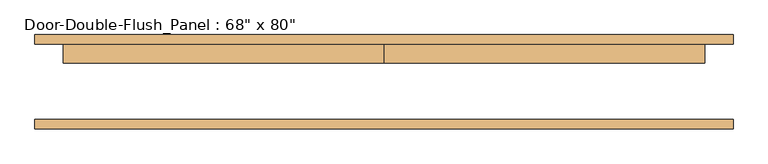
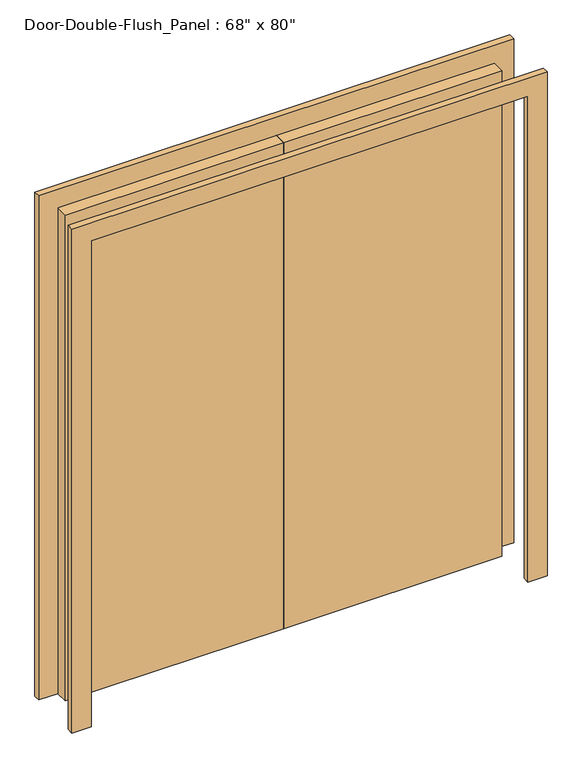
"""IFC4 building model written with IfcOpenShell, lengths in millimetres: door geometry."""

from ifc_helpers import new_model, si_unit, frame, origin, origin_with_axes, place, context, project, spatial, polyline, outline, extrude, source, transform, mapped, element, save


def door_aae36eb6(model_context):
    return source(origin(), model_context, "Body", "SweptSolid", [
        extrude(outline(polyline([(2032.0, -863.6), (2032.0, 863.6), (0.0, 863.6), (0.0, 939.8), (2108.2, 939.8), (2108.2, -939.8), (0.0, -939.8), (0.0, -863.6), (2032.0, -863.6)])), frame((0.0, -127.0, 0.0), z_axis=(0.0, 1.0, 0.0), x_axis=(0.0, 0.0, 1.0)), (0.0, 0.0, 1.0), 25.4),
        extrude(outline(polyline([(2032.0, -863.6), (2032.0, 863.6), (0.0, 863.6), (0.0, 939.8), (2108.2, 939.8), (2108.2, -939.8), (0.0, -939.8), (0.0, -863.6), (2032.0, -863.6)])), frame((0.0, 101.6, 0.0), z_axis=(0.0, 1.0, 0.0), x_axis=(0.0, 0.0, 1.0)), (0.0, 0.0, 1.0), 25.4),
        extrude(outline(polyline([(0.0, 101.6), (863.6, 101.6), (863.6, 50.8), (0.0, 50.8), (0.0, 101.6)])), origin_with_axes(), (0.0, 0.0, 1.0), 2032.0),
        extrude(outline(polyline([(-863.6, 101.6), (0.0, 101.6), (0.0, 50.8), (-863.6, 50.8), (-863.6, 101.6)])), origin_with_axes(), (0.0, 0.0, 1.0), 2032.0),
    ])


if __name__ == "__main__":
    model = new_model("IFC4")
    model_context = context("Model", 3, world=origin())
    ifc_project = project(units=[si_unit("LENGTHUNIT", "METRE", prefix="MILLI")], contexts=[model_context])
    site = spatial("IfcSite", under=ifc_project)
    building = spatial("IfcBuilding", under=site)
    placement = place(None, origin())
    door_shape = door_aae36eb6(model_context)
    element("IfcDoor", 1, ObjectType="Door-Double-Flush_Panel : 68\" x 80\"", at=placement, inside=building, context=model_context, shape_type="MappedRepresentation", body=[
        mapped(door_shape, transform((0.0, 0.0, 0.0), x_axis=(1.0, 0.0, 0.0), y_axis=(0.0, 1.0, 0.0), z_axis=(0.0, 0.0, 1.0))),
    ])
    save(model, "model.ifc")
